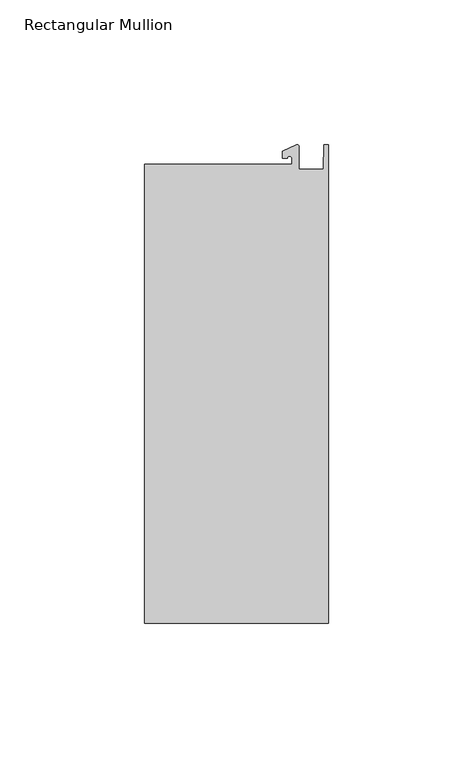
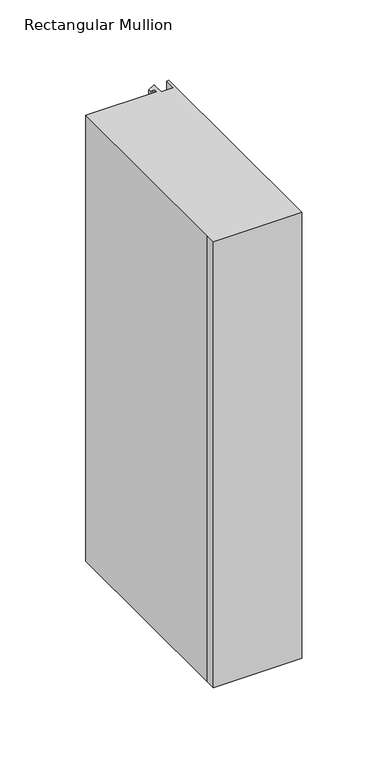
"""IFC4 building model written with IfcOpenShell, lengths in millimetres: member geometry, Rectangular Mullion."""

from ifc_helpers import new_model, si_unit, point, frame, frame_2d, origin, place, context, project, spatial, polyline, circle_curve, trimmed, segment, composite_curve, outline, extrude, source, transform, mapped, element, save


def rectangular_mullion_07179880(model_context):
    return source(origin(), model_context, "Body", "SweptSolid", [
        extrude(outline(composite_curve([segment(polyline([(-12.6173814, 25.5984375), (-12.6173814, 27.6780632)]), True, "CONTINUOUS"), segment(trimmed(circle_curve(frame_2d((-13.4111314, 27.6780632)), 0.79375), [point((-12.6173814, 27.6780632))], [point((-14.2048814, 27.6780632))], True, "CARTESIAN"), True, "CONTINUOUS"), segment(polyline([(-14.2048814, 27.6780632), (-15.7923814, 27.6780632), (-15.7923814, 30.0402625), (-10.9524715, 32.2971496)]), True, "CONTINUOUS"), segment(trimmed(circle_curve(frame_2d((-10.7377814, 31.8367452)), 0.508), [point((-10.9524715, 32.2971496))], [point((-10.2297814, 31.8367452))], False, "CARTESIAN"), True, "CONTINUOUS"), segment(polyline([(-10.2297814, 31.8367452), (-10.2297814, 23.9227662), (-1.7144124, 23.9227662), (-1.5658966, 32.288874), (0.0, 32.288874), (0.0, -132.822512), (-63.5, -132.822512), (-63.5, -125.075512), (-63.5, 25.5984375), (-12.6173814, 25.5984375)]), True, "CONTINUOUS")], self_intersect=False)), frame((0.0, 0.0, -338.6666667), z_axis=(0.0, 0.0, 1.0), x_axis=(1.0, 0.0, 0.0)), (0.0, 0.0, 1.0), 338.6666667),
    ])


if __name__ == "__main__":
    model = new_model("IFC4")
    model_context = context("Model", 3, world=origin())
    ifc_project = project(units=[si_unit("LENGTHUNIT", "METRE", prefix="MILLI")], contexts=[model_context])
    site = spatial("IfcSite", under=ifc_project)
    building = spatial("IfcBuilding", under=site)
    placement = place(None, origin())
    rectangular_mullion_shape = rectangular_mullion_07179880(model_context)
    element("IfcMember", 1, ObjectType="Rectangular Mullion", at=placement, inside=building, context=model_context, shape_type="MappedRepresentation", body=[
        mapped(rectangular_mullion_shape, transform((0.0, 0.0, 0.0), x_axis=(1.0, 0.0, 0.0), y_axis=(0.0, 1.0, 0.0), z_axis=(0.0, 0.0, 1.0))),
    ])
    save(model, "model.ifc")
